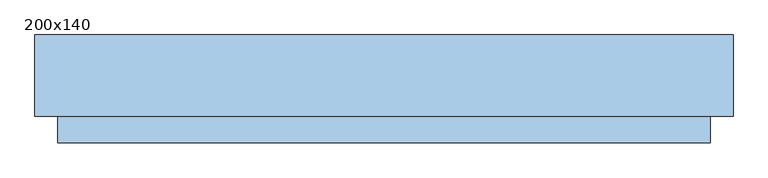
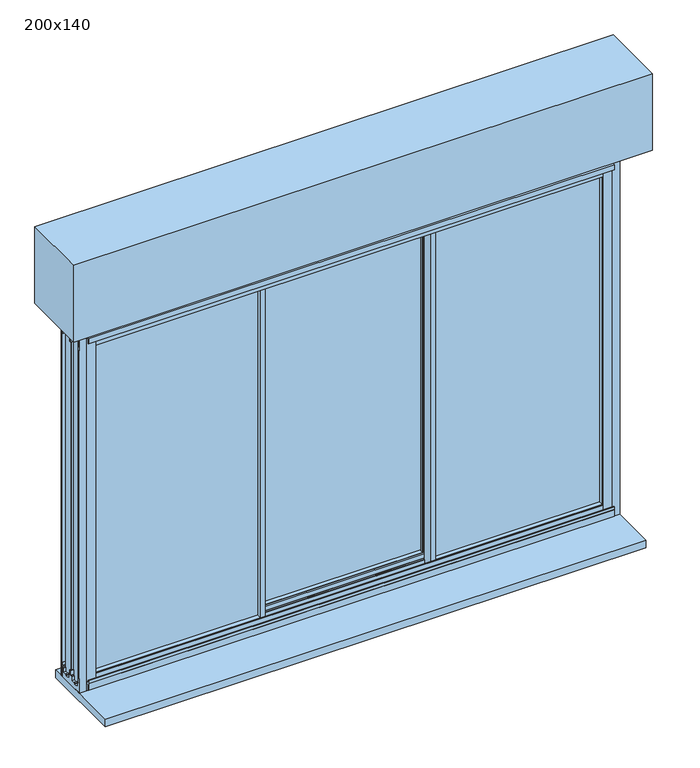
"""IFC4 building model written with IfcOpenShell, lengths in millimetres: window geometry, 200x140."""

from ifc_helpers import new_model, si_unit, frame, origin, place, context, project, spatial, polyline, outline, extrude, faceted_brep, source, transform, mapped, element, save


def window_200x140_85ae8f76(model_context):
    return source(origin(), model_context, "Body", "SolidModel", [
        extrude(outline(polyline([(1421.5, 940.7), (1325.5, 940.7), (1325.5, 966.7), (1421.5, 966.7), (1421.5, 940.7)]), holes=[polyline([(1328.5, 963.7), (1328.5, 943.7), (1418.5, 943.7), (1418.5, 963.7), (1328.5, 963.7)])]), frame((0.0, 32.25, 0.0), z_axis=(0.0, 1.0, 0.0), x_axis=(0.0, 0.0, 1.0)), (0.0, 0.0, 1.0), 10.0),
        extrude(outline(polyline([(1421.5, -888.3), (1421.5, -914.3), (1325.5, -914.3), (1325.5, -888.3), (1421.5, -888.3)]), holes=[polyline([(1328.5, -911.3), (1418.5, -911.3), (1418.5, -891.3), (1328.5, -891.3), (1328.5, -911.3)])]), frame((0.0, 32.65, 0.0), z_axis=(0.0, 1.0, 0.0), x_axis=(0.0, 0.0, 1.0)), (0.0, 0.0, 1.0), 10.0),
        extrude(outline(polyline([(1096.2, -93.75), (-1043.8, -93.75), (-1043.8, 156.25), (1096.2, 156.25), (1096.2, -93.75)])), frame((0.0, 0.0, 2123.5), z_axis=(0.0, 0.0, 1.0), x_axis=(1.0, 0.0, 0.0)), (0.0, 0.0, 1.0), 300.0),
        extrude(outline(polyline([(98.65, 2031.9), (98.65, 2014.0), (82.05, 2014.0), (82.05, 2023.4), (74.05, 2023.4), (74.05, 2014.0), (57.45, 2014.0), (57.45, 2031.9), (61.75, 2031.9), (61.75, 2034.1), (67.4000001, 2034.1), (67.4000001, 2043.9), (88.6999999, 2043.9), (88.6999999, 2034.1), (94.35, 2034.1), (94.35, 2031.9), (98.65, 2031.9)])), frame((-290.1333333, 0.0, 0.0), z_axis=(1.0, 0.0, 0.0), x_axis=(0.0, 1.0, 0.0)), (0.0, 0.0, 1.0), 632.6666667),
        extrude(outline(polyline([(98.65, 709.1), (94.35, 709.1), (94.35, 706.9), (88.6999999, 706.9), (88.6999999, 697.1), (67.4000001, 697.1), (67.4000001, 706.9), (61.75, 706.9), (61.75, 709.1), (57.45, 709.1), (57.45, 727.0), (74.05, 727.0), (74.05, 717.6), (82.05, 717.6), (82.05, 727.0), (98.65, 727.0), (98.65, 709.1)])), frame((-290.1333333, 0.0, 0.0), z_axis=(1.0, 0.0, 0.0), x_axis=(0.0, 1.0, 0.0)), (0.0, 0.0, 1.0), 632.6666667),
        extrude(outline(polyline([(-923.7, 20.25), (-923.7, 26.25), (-289.1333333, 26.25), (-289.1333333, 20.25), (-923.7, 20.25)])), frame((0.0, 0.0, 717.8), z_axis=(0.0, 0.0, 1.0), x_axis=(1.0, 0.0, 0.0)), (0.0, 0.0, 1.0), 1305.6),
        extrude(outline(polyline([(976.1, 20.25), (342.5333333, 20.25), (342.5333333, 26.25), (976.1, 26.25), (976.1, 20.25)])), frame((0.0, 0.0, 717.8), z_axis=(0.0, 0.0, 1.0), x_axis=(1.0, 0.0, 0.0)), (0.0, 0.0, 1.0), 1305.6),
        extrude(outline(polyline([(342.5333333, 75.05), (-290.1333333, 75.05), (-290.1333333, 81.05), (342.5333333, 81.05), (342.5333333, 75.05)])), frame((0.0, 0.0, 717.8), z_axis=(0.0, 0.0, 1.0), x_axis=(1.0, 0.0, 0.0)), (0.0, 0.0, 1.0), 1305.6),
        faceted_brep([(-281.1333333, 2.65, 697.1), (-299.1333333, 2.65, 697.1), (-299.1333333, 12.6000001, 697.1), (-944.2, 12.6000001, 697.1), (-944.2, 33.8999999, 697.1), (-299.1333333, 33.8999999, 697.1), (-299.1333333, 43.85, 697.1), (-284.9364704, 43.85, 697.1), (-284.9364704, 50.1440374, 697.1), (-288.2414696, 50.1440374, 697.1), (-292.4491159, 51.5636227, 697.1), (-292.4491159, 53.95, 697.1), (-283.1599431, 53.95, 697.1), (-283.1599431, 43.85, 697.1), (-281.1333333, 43.85, 697.1), (-288.9081444, 32.25, 697.1), (-290.1333333, 32.25, 697.1), (-290.1333333, 14.25, 697.1), (-288.9081444, 14.25, 697.1), (-281.1333333, 2.65, 2043.9), (-281.1333333, 43.85, 2043.9), (-283.1599431, 43.85, 2043.9), (-283.1599431, 53.95, 2043.9), (-292.4491159, 53.95, 2043.9), (-292.4491159, 51.5636227, 2043.9), (-288.2414696, 50.1440374, 2043.9), (-284.9364704, 50.1440374, 2043.9), (-284.9364704, 43.85, 2043.9), (-299.1333333, 43.85, 2043.9), (-299.1333333, 33.8999999, 2043.9), (-944.2, 33.8999999, 2043.9), (-944.2, 12.6000001, 2043.9), (-299.1333333, 12.6000001, 2043.9), (-299.1333333, 2.65, 2043.9), (-288.9081444, 14.25, 2043.9), (-290.1333333, 14.25, 2043.9), (-290.1333333, 32.25, 2043.9), (-288.9081444, 32.25, 2043.9), (-299.1333333, 2.65, 2031.9), (-932.2, 2.65, 2031.9), (-932.2, 2.65, 709.1), (-299.1333333, 2.65, 709.1), (-914.3, 2.65, 2014.0), (-299.1333333, 2.65, 2014.0), (-299.1333333, 2.65, 727.0), (-914.3, 2.65, 727.0), (-299.1333333, 6.95, 709.1), (-299.1333333, 6.95, 706.9), (-299.1333333, 12.6000001, 706.9), (-299.1333333, 12.6000001, 2034.1), (-299.1333333, 6.95, 2034.1), (-299.1333333, 6.95, 2031.9), (-299.1333333, 14.25, 2014.0), (-299.1333333, 14.25, 727.0), (-290.1333333, 14.25, 727.0), (-290.1333333, 14.25, 2014.0), (-290.1333333, 32.25, 2014.0), (-299.1333333, 32.25, 2014.0), (-299.1333333, 32.25, 727.0), (-290.1333333, 32.25, 727.0), (-299.1333333, 33.8999999, 706.9), (-299.1333333, 39.55, 706.9), (-299.1333333, 39.55, 709.1), (-299.1333333, 43.85, 709.1), (-299.1333333, 43.85, 2031.9), (-299.1333333, 39.55, 2031.9), (-299.1333333, 39.55, 2034.1), (-299.1333333, 33.8999999, 2034.1), (-299.1333333, 43.85, 2014.0), (-299.1333333, 43.85, 727.0), (-290.1333333, 20.25, 727.0), (-290.1333333, 26.25, 727.0), (-290.1333333, 26.25, 717.6), (-290.1333333, 20.25, 717.6), (-914.3, 20.25, 727.0), (-923.7, 20.25, 717.6), (-923.7, 20.25, 2023.4), (-290.1333333, 20.25, 2023.4), (-290.1333333, 20.25, 2014.0), (-914.3, 20.25, 2014.0), (-923.7, 26.25, 717.6), (-914.3, 26.25, 727.0), (-914.3, 26.25, 2014.0), (-290.1333333, 26.25, 2014.0), (-290.1333333, 26.25, 2023.4), (-923.7, 26.25, 2023.4), (-914.3, 43.85, 727.0), (-932.2, 43.85, 709.1), (-932.2, 39.55, 709.1), (-934.4, 39.55, 706.9), (-934.4, 39.55, 2034.1), (-932.2, 39.55, 2031.9), (-934.4, 33.8999999, 706.9), (-934.4, 33.8999999, 2034.1), (-934.4, 12.6000001, 706.9), (-934.4, 12.6000001, 2034.1), (-934.4, 6.95, 706.9), (-932.2, 6.95, 709.1), (-932.2, 6.95, 2031.9), (-934.4, 6.95, 2034.1), (-914.3, 43.85, 2014.0), (-932.2, 43.85, 2031.9)], [[[0, 1, 2, 3, 4, 5, 6, 7, 8, 9, 10, 11, 12, 13, 14], [15, 16, 17, 18]], [[19, 20, 21, 22, 23, 24, 25, 26, 27, 28, 29, 30, 31, 32, 33], [34, 35, 36, 37]], [[0, 19, 33, 38, 39, 40, 41, 1], [42, 43, 44, 45]], [[1, 41, 46, 47, 48, 2]], [[32, 49, 50, 51, 38, 33]], [[43, 52, 53, 44]], [[18, 17, 54, 53, 52, 55, 35, 34]], [[18, 34, 37, 15]], [[37, 36, 56, 57, 58, 59, 16, 15]], [[5, 60, 61, 62, 63, 6]], [[28, 64, 65, 66, 67, 29]], [[57, 68, 69, 58]], [[13, 21, 20, 14]], [[70, 54, 17, 16, 59, 71, 72, 73]], [[45, 44, 53, 54, 70, 74]], [[73, 75, 76, 77, 78, 79, 74, 70]], [[72, 80, 75, 73]], [[71, 81, 82, 83, 84, 85, 80, 72]], [[71, 59, 58, 69, 86, 81]], [[87, 63, 62, 88]], [[88, 62, 61, 89, 90, 66, 65, 91]], [[89, 61, 60, 92]], [[92, 60, 5, 4, 30, 29, 67, 93]], [[3, 2, 48, 94, 95, 49, 32, 31]], [[94, 48, 47, 96]], [[96, 47, 46, 97, 98, 51, 50, 99]], [[97, 46, 41, 40]], [[45, 74, 79, 42]], [[75, 80, 85, 76]], [[81, 86, 100, 82]], [[87, 88, 91, 101]], [[89, 92, 93, 90]], [[4, 3, 31, 30]], [[94, 96, 99, 95]], [[39, 98, 97, 40]], [[77, 84, 83, 56, 36, 35, 55, 78]], [[78, 55, 52, 43, 42, 79]], [[76, 85, 84, 77]], [[82, 100, 68, 57, 56, 83]], [[91, 65, 64, 101]], [[93, 67, 66, 90]], [[99, 50, 49, 95]], [[39, 38, 51, 98]], [[14, 20, 19, 0]], [[12, 22, 21, 13]], [[11, 23, 22, 12]], [[10, 24, 23, 11]], [[9, 25, 24, 10]], [[8, 26, 25, 9]], [[7, 27, 26, 8]], [[6, 63, 87, 101, 64, 28, 27, 7], [86, 69, 68, 100]]]),
        faceted_brep([(-299.1333333, 98.65, 697.1), (-281.1333333, 98.65, 697.1), (-281.1333333, 87.05, 697.1), (-291.5067236, 87.05, 697.1), (-291.5067236, 69.05, 697.1), (-281.1333333, 69.05, 697.1), (-281.1333333, 57.45, 697.1), (-295.4150676, 57.45, 697.1), (-295.4150676, 51.1559626, 697.1), (-292.0251971, 51.1559626, 697.1), (-287.8175508, 49.7071538, 697.1), (-287.8175508, 47.35, 697.1), (-297.1915949, 47.35, 697.1), (-297.1915949, 57.45, 697.1), (-299.1333333, 57.45, 697.1), (-299.1333333, 98.65, 2043.9), (-299.1333333, 57.45, 2043.9), (-297.1915949, 57.45, 2043.9), (-297.1915949, 47.35, 2043.9), (-287.8175508, 47.35, 2043.9), (-287.8175508, 49.7071538, 2043.9), (-292.0251971, 51.1559626, 2043.9), (-295.4150676, 51.1559626, 2043.9), (-295.4150676, 57.45, 2043.9), (-281.1333333, 57.45, 2043.9), (-281.1333333, 69.05, 2043.9), (-291.5067236, 69.05, 2043.9), (-291.5067236, 87.05, 2043.9), (-281.1333333, 87.05, 2043.9), (-281.1333333, 98.65, 2043.9)], [[[0, 1, 2, 3, 4, 5, 6, 7, 8, 9, 10, 11, 12, 13, 14]], [[15, 16, 17, 18, 19, 20, 21, 22, 23, 24, 25, 26, 27, 28, 29]], [[0, 15, 29, 1]], [[1, 29, 28, 2]], [[2, 28, 27, 3]], [[3, 27, 26, 4]], [[4, 26, 25, 5]], [[7, 23, 22, 8]], [[8, 22, 21, 9]], [[9, 21, 20, 10]], [[10, 20, 19, 11]], [[11, 19, 18, 12]], [[12, 18, 17, 13]], [[13, 17, 16, 14]], [[14, 16, 15, 0]], [[6, 24, 23, 7]], [[5, 25, 24, 6]]]),
        faceted_brep([(333.5333333, 2.65, 697.1), (333.5333333, 43.85, 697.1), (335.5599431, 43.85, 697.1), (335.5599431, 53.95, 697.1), (344.8491159, 53.95, 697.1), (344.8491159, 51.5636227, 697.1), (340.6414696, 50.1440374, 697.1), (337.3364704, 50.1440374, 697.1), (337.3364704, 43.85, 697.1), (351.5333333, 43.85, 697.1), (351.5333333, 33.8999999, 697.1), (996.6, 33.8999999, 697.1), (996.6, 12.6000001, 697.1), (351.5333333, 12.6000001, 697.1), (351.5333333, 2.65, 697.1), (341.3081444, 32.25, 697.1), (341.3081444, 14.25, 697.1), (342.5333333, 14.25, 697.1), (342.5333333, 32.25, 697.1), (333.5333333, 2.65, 2043.9), (351.5333333, 2.65, 2043.9), (351.5333333, 12.6000001, 2043.9), (996.6, 12.6000001, 2043.9), (996.6, 33.8999999, 2043.9), (351.5333333, 33.8999999, 2043.9), (351.5333333, 43.85, 2043.9), (337.3364704, 43.85, 2043.9), (337.3364704, 50.1440374, 2043.9), (340.6414696, 50.1440374, 2043.9), (344.8491159, 51.5636227, 2043.9), (344.8491159, 53.95, 2043.9), (335.5599431, 53.95, 2043.9), (335.5599431, 43.85, 2043.9), (333.5333333, 43.85, 2043.9), (341.3081444, 14.25, 2043.9), (341.3081444, 32.25, 2043.9), (342.5333333, 32.25, 2043.9), (342.5333333, 14.25, 2043.9), (342.5333333, 27.25, 727.0), (342.5333333, 32.25, 727.0), (342.5333333, 14.25, 727.0), (342.5333333, 19.25, 727.0), (342.5333333, 19.25, 717.6), (342.5333333, 27.25, 717.6), (342.5333333, 19.25, 2014.0), (342.5333333, 14.25, 2014.0), (342.5333333, 32.25, 2014.0), (342.5333333, 27.25, 2014.0), (342.5333333, 27.25, 2023.4), (342.5333333, 19.25, 2023.4), (966.7, 43.85, 727.0), (351.5333333, 43.85, 727.0), (351.5333333, 32.25, 727.0), (966.7, 27.25, 727.0), (976.1, 27.25, 717.6), (976.1, 27.25, 2023.4), (966.7, 27.25, 2014.0), (976.1, 19.25, 717.6), (966.7, 19.25, 727.0), (966.7, 19.25, 2014.0), (976.1, 19.25, 2023.4), (351.5333333, 14.25, 727.0), (351.5333333, 2.65, 727.0), (966.7, 2.65, 727.0), (984.6, 2.65, 709.1), (351.5333333, 2.65, 709.1), (351.5333333, 6.95, 709.1), (984.6, 6.95, 709.1), (351.5333333, 6.95, 706.9), (986.8, 6.95, 706.9), (986.8, 6.95, 2034.1), (351.5333333, 6.95, 2034.1), (351.5333333, 6.95, 2031.9), (984.6, 6.95, 2031.9), (351.5333333, 12.6000001, 706.9), (986.8, 12.6000001, 706.9), (351.5333333, 12.6000001, 2034.1), (986.8, 12.6000001, 2034.1), (351.5333333, 33.8999999, 706.9), (986.8, 33.8999999, 706.9), (986.8, 33.8999999, 2034.1), (351.5333333, 33.8999999, 2034.1), (351.5333333, 39.55, 706.9), (986.8, 39.55, 706.9), (351.5333333, 39.55, 709.1), (984.6, 39.55, 709.1), (984.6, 39.55, 2031.9), (351.5333333, 39.55, 2031.9), (351.5333333, 39.55, 2034.1), (986.8, 39.55, 2034.1), (351.5333333, 43.85, 709.1), (984.6, 43.85, 709.1), (966.7, 43.85, 2014.0), (966.7, 2.65, 2014.0), (984.6, 2.65, 2031.9), (984.6, 43.85, 2031.9), (351.5333333, 32.25, 2014.0), (351.5333333, 43.85, 2014.0), (351.5333333, 2.65, 2014.0), (351.5333333, 14.25, 2014.0), (351.5333333, 2.65, 2031.9), (351.5333333, 43.85, 2031.9)], [[[0, 1, 2, 3, 4, 5, 6, 7, 8, 9, 10, 11, 12, 13, 14], [15, 16, 17, 18]], [[19, 20, 21, 22, 23, 24, 25, 26, 27, 28, 29, 30, 31, 32, 33], [34, 35, 36, 37]], [[38, 39, 18, 17, 40, 41, 42, 43]], [[44, 45, 37, 36, 46, 47, 48, 49]], [[50, 51, 52, 39, 38, 53]], [[43, 54, 55, 48, 47, 56, 53, 38]], [[42, 57, 54, 43]], [[41, 58, 59, 44, 49, 60, 57, 42]], [[41, 40, 61, 62, 63, 58]], [[64, 65, 66, 67]], [[67, 66, 68, 69, 70, 71, 72, 73]], [[69, 68, 74, 75]], [[75, 74, 13, 12, 22, 21, 76, 77]], [[11, 10, 78, 79, 80, 81, 24, 23]], [[79, 78, 82, 83]], [[83, 82, 84, 85, 86, 87, 88, 89]], [[85, 84, 90, 91]], [[50, 53, 56, 92]], [[54, 57, 60, 55]], [[58, 63, 93, 59]], [[64, 67, 73, 94]], [[69, 75, 77, 70]], [[12, 11, 23, 22]], [[79, 83, 89, 80]], [[95, 86, 85, 91]], [[47, 46, 96, 97, 92, 56]], [[48, 55, 60, 49]], [[59, 93, 98, 99, 45, 44]], [[73, 72, 100, 94]], [[77, 76, 71, 70]], [[89, 88, 81, 80]], [[95, 101, 87, 86]], [[14, 65, 64, 94, 100, 20, 19, 0], [98, 93, 63, 62]], [[62, 61, 99, 98]], [[13, 74, 68, 66, 65, 14]], [[20, 100, 72, 71, 76, 21]], [[34, 37, 45, 99, 61, 40, 17, 16]], [[15, 35, 34, 16]], [[15, 18, 39, 52, 96, 46, 36, 35]], [[52, 51, 97, 96]], [[24, 81, 88, 87, 101, 25]], [[9, 90, 84, 82, 78, 10]], [[8, 26, 25, 101, 95, 91, 90, 9], [51, 50, 92, 97]], [[7, 27, 26, 8]], [[6, 28, 27, 7]], [[5, 29, 28, 6]], [[4, 30, 29, 5]], [[3, 31, 30, 4]], [[2, 32, 31, 3]], [[1, 33, 32, 2]], [[0, 19, 33, 1]]]),
        faceted_brep([(351.5333333, 98.65, 697.1), (351.5333333, 57.45, 697.1), (349.5915949, 57.45, 697.1), (349.5915949, 47.35, 697.1), (340.2175508, 47.35, 697.1), (340.2175508, 49.7071538, 697.1), (344.4251971, 51.1559626, 697.1), (347.8150676, 51.1559626, 697.1), (347.8150676, 57.45, 697.1), (333.5333333, 57.45, 697.1), (333.5333333, 69.05, 697.1), (343.9067236, 69.05, 697.1), (343.9067236, 87.05, 697.1), (333.5333333, 87.05, 697.1), (333.5333333, 98.65, 697.1), (351.5333333, 98.65, 2043.9), (333.5333333, 98.65, 2043.9), (333.5333333, 87.05, 2043.9), (343.9067236, 87.05, 2043.9), (343.9067236, 69.05, 2043.9), (333.5333333, 69.05, 2043.9), (333.5333333, 57.45, 2043.9), (347.8150676, 57.45, 2043.9), (347.8150676, 51.1559626, 2043.9), (344.4251971, 51.1559626, 2043.9), (340.2175508, 49.7071538, 2043.9), (340.2175508, 47.35, 2043.9), (349.5915949, 47.35, 2043.9), (349.5915949, 57.45, 2043.9), (351.5333333, 57.45, 2043.9)], [[[0, 1, 2, 3, 4, 5, 6, 7, 8, 9, 10, 11, 12, 13, 14]], [[15, 16, 17, 18, 19, 20, 21, 22, 23, 24, 25, 26, 27, 28, 29]], [[14, 16, 15, 0]], [[13, 17, 16, 14]], [[12, 18, 17, 13]], [[11, 19, 18, 12]], [[10, 20, 19, 11]], [[9, 21, 20, 10]], [[8, 22, 21, 9]], [[7, 23, 22, 8]], [[6, 24, 23, 7]], [[5, 25, 24, 6]], [[4, 26, 25, 5]], [[3, 27, 26, 4]], [[2, 28, 27, 3]], [[1, 29, 28, 2]], [[0, 15, 29, 1]]]),
        extrude(outline(polyline([(-19.55, 2056.5), (-4.95, 2056.5), (-4.95, 2055.0), (-17.55, 2055.0), (-17.55, 2037.5), (-19.55, 2037.5), (-19.55, 2056.5)])), frame((-946.45, 0.0, 0.0), z_axis=(1.0, 0.0, 0.0), x_axis=(0.0, 1.0, 0.0)), (0.0, 0.0, 1.0), 1945.3),
        extrude(outline(polyline([(-19.55, 682.9), (-19.55, 708.9), (-16.65, 708.9), (-16.05, 709.5), (-19.55, 709.5), (-19.55, 720.6), (-17.55, 720.6), (-17.55, 711.0), (-13.95, 711.0), (-13.95, 708.6), (-4.95, 708.6), (-4.95, 704.1), (-18.35, 704.1), (-18.35, 682.9), (-19.55, 682.9)])), frame((-946.45, 0.0, 0.0), z_axis=(1.0, 0.0, 0.0), x_axis=(0.0, 1.0, 0.0)), (0.0, 0.0, 1.0), 1945.3),
        extrude(outline(polyline([(-0.85, 729.0), (-0.85, 711.8), (0.0941191, 711.8), (1.55, 707.8), (4.3, 707.8), (4.3, 692.6), (21.0, 692.6), (21.0, 696.5731379), (25.5, 696.5731379), (25.5, 692.6), (42.2, 692.6), (42.2, 707.8), (44.9, 707.8), (46.3558809, 711.8), (47.35, 711.8), (47.35, 729.0), (53.95, 729.0), (53.95, 711.8), (54.9441191, 711.8), (56.4, 707.8), (59.1, 707.8), (59.1, 692.6), (75.8, 692.6), (75.8, 696.5731379), (80.3, 696.5731379), (80.3, 692.6), (97.0, 692.6), (97.0, 707.8), (99.75, 707.8), (101.2058809, 711.8), (104.75, 711.8), (104.75, 717.8), (102.15, 717.8), (102.15, 729.0), (106.25, 729.0), (106.25, 673.5), (15.05, 673.5), (15.05, 676.5), (-4.95, 676.5), (-4.95, 729.0), (-0.85, 729.0)])), frame((-973.8, 0.0, 0.0), z_axis=(1.0, 0.0, 0.0), x_axis=(0.0, 1.0, 0.0)), (0.0, 0.0, 1.0), 2000.0),
        extrude(outline(polyline([(-0.85, 2012.0), (-4.95, 2012.0), (-4.95, 2073.5), (106.25, 2073.5), (106.25, 2012.0), (102.15, 2012.0), (102.15, 2026.5), (104.75, 2026.5), (104.75, 2055.0), (51.4, 2055.0), (51.4, 2024.7), (53.95, 2024.7), (53.95, 2012.0), (47.35, 2012.0), (47.35, 2024.7), (49.9, 2024.7), (49.9, 2055.0), (-3.45, 2055.0), (-3.45, 2026.5), (-0.85, 2026.5), (-0.85, 2012.0)])), frame((-973.8, 0.0, 0.0), z_axis=(1.0, 0.0, 0.0), x_axis=(0.0, 1.0, 0.0)), (0.0, 0.0, 1.0), 2000.0),
        extrude(outline(polyline([(-960.95, -5.3), (-924.65, -5.3), (-924.65, -0.85), (-913.45, -0.85), (-913.45, -6.8), (-946.5952323, -6.8), (-973.8, -6.8), (-973.8, -0.5850342), (-962.75, -0.5850342), (-962.75, 49.9), (-969.028222, 49.9), (-969.028222, 51.425037), (-962.75, 51.425037), (-962.75, 101.8850342), (-973.8, 101.8850342), (-973.8, 108.1), (-913.45, 108.1), (-913.45, 47.35), (-924.65, 47.35), (-924.65, 49.9), (-960.95, 49.9), (-960.95, 22.7303848), (-960.95, -5.3)])), frame((0.0, 0.0, 673.5), z_axis=(0.0, 0.0, 1.0), x_axis=(1.0, 0.0, 0.0)), (0.0, 0.0, 1.0), 1400.0),
        extrude(outline(polyline([(1013.35, -5.3), (1013.35, 22.7303848), (1013.35, 49.9), (977.05, 49.9), (977.05, 47.35), (965.85, 47.35), (965.85, 108.1), (1026.2, 108.1), (1026.2, 101.8850342), (1015.15, 101.8850342), (1015.15, 51.425037), (1021.428222, 51.425037), (1021.428222, 49.9), (1015.15, 49.9), (1015.15, -0.5850342), (1026.2, -0.5850342), (1026.2, -6.8), (998.9952323, -6.8), (965.85, -6.8), (965.85, -0.85), (977.05, -0.85), (977.05, -5.3), (1013.35, -5.3)])), frame((0.0, 0.0, 673.5), z_axis=(0.0, 0.0, 1.0), x_axis=(1.0, 0.0, 0.0)), (0.0, 0.0, 1.0), 1400.0),
        extrude(outline(polyline([(1026.2, -173.75), (-973.8, -173.75), (-973.8, 143.25), (1026.2, 143.25), (1026.2, -173.75)])), frame((0.0, 0.0, 643.5), z_axis=(0.0, 0.0, 1.0), x_axis=(1.0, 0.0, 0.0)), (0.0, 0.0, 1.0), 30.0),
        faceted_brep([(965.85, 106.25, 729.0), (965.85, 106.25, 2012.0), (965.85, 126.4, 2012.0), (965.85, 126.4, 729.0), (1016.5502862, 110.5, 678.2997138), (1016.5502862, 110.5, 2062.7002862), (1016.5502862, 106.25, 2062.7002862), (1016.5502862, 106.25, 678.2997138), (1021.35, 114.1, 673.5), (1021.35, 114.1, 2067.5), (1021.35, 110.5, 2067.5), (1021.35, 110.5, 673.5), (986.35, 117.0431112, 708.5), (986.35, 117.0431112, 2032.5), (986.35, 114.1, 2032.5), (986.35, 114.1, 708.5), (986.95, 117.9, 707.9), (986.95, 117.9, 2033.1), (986.95, 126.4, 707.9), (986.95, 126.4, 2033.1), (-913.45, 106.25, 2012.0), (-913.45, 126.4, 2012.0), (-964.1502862, 110.5, 2062.7002862), (-964.1502862, 106.25, 2062.7002862), (-968.95, 114.1, 2067.5), (-968.95, 110.5, 2067.5), (-933.95, 117.0431112, 2032.5), (-933.95, 114.1, 2032.5), (-934.55, 117.9, 2033.1), (-934.55, 126.4, 2033.1), (-913.45, 106.25, 729.0), (-913.45, 126.4, 729.0), (-964.1502862, 110.5, 678.2997138), (-964.1502862, 106.25, 678.2997138), (-968.95, 114.1, 673.5), (-968.95, 110.5, 673.5), (-933.95, 117.0431112, 708.5), (-933.95, 114.1, 708.5), (-934.55, 117.9, 707.9), (-934.55, 126.4, 707.9)], [[[0, 1, 2, 3]], [[4, 5, 6, 7]], [[8, 9, 10, 11]], [[12, 13, 14, 15]], [[16, 17, 13, 12]], [[18, 19, 17, 16]], [[1, 20, 21, 2]], [[5, 22, 23, 6]], [[9, 24, 25, 10]], [[13, 26, 27, 14]], [[17, 28, 26, 13]], [[19, 29, 28, 17]], [[20, 30, 31, 21]], [[22, 32, 33, 23]], [[24, 34, 35, 25]], [[26, 36, 37, 27]], [[28, 38, 36, 26]], [[29, 39, 38, 28]], [[19, 18, 39, 29], [3, 2, 21, 31]], [[30, 0, 3, 31]], [[7, 6, 23, 33], [1, 0, 30, 20]], [[32, 4, 7, 33]], [[11, 10, 25, 35], [5, 4, 32, 22]], [[34, 8, 11, 35]], [[9, 8, 34, 24], [15, 14, 27, 37]], [[36, 12, 15, 37]], [[38, 16, 12, 36]], [[39, 18, 16, 38]]]),
    ])


if __name__ == "__main__":
    model = new_model("IFC4")
    model_context = context("Model", 3, world=origin())
    ifc_project = project(units=[si_unit("LENGTHUNIT", "METRE", prefix="MILLI")], contexts=[model_context])
    site = spatial("IfcSite", under=ifc_project)
    building = spatial("IfcBuilding", under=site)
    placement = place(None, origin())
    window_200x140_shape = window_200x140_85ae8f76(model_context)
    element("IfcWindow", 1, ObjectType="200x140", at=placement, inside=building, context=model_context, shape_type="MappedRepresentation", body=[
        mapped(window_200x140_shape, transform((0.0, 0.0, 0.0), x_axis=(1.0, 0.0, 0.0), y_axis=(0.0, 1.0, 0.0), z_axis=(0.0, 0.0, 1.0))),
    ])
    save(model, "model.ifc")
